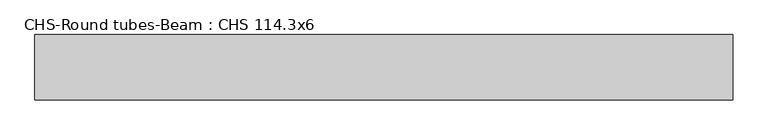
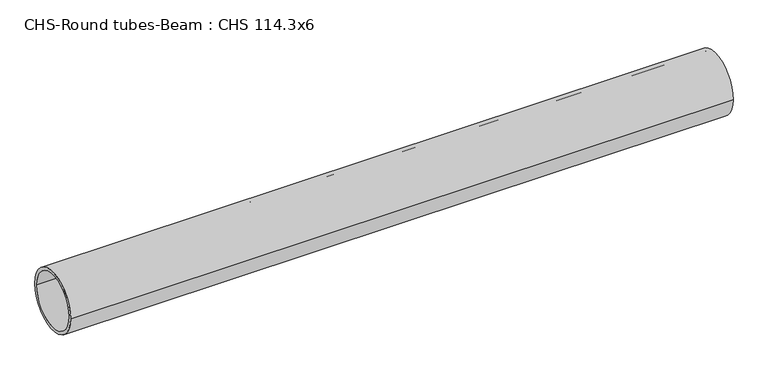
"""IFC4 building model written with IfcOpenShell, lengths in millimetres: beam geometry, CHS-Round tubes-Beam : CHS 114.3x6."""

from ifc_helpers import new_model, si_unit, point, frame, origin, origin_2d, place, context, project, spatial, circle_curve, trimmed, segment, composite_curve, outline, extrude, source, transform, mapped, element, save


def chs_round_tubes_beam_chs_114_3x6_7d48f400(model_context):
    return source(origin(), model_context, "Body", "SweptSolid", [
        extrude(outline(composite_curve([segment(trimmed(circle_curve(origin_2d(), 57.15), [point((57.15, 0.0))], [point((-57.15, 0.0))], False, "CARTESIAN"), True, "CONTINUOUS"), segment(trimmed(circle_curve(origin_2d(), 57.15), [point((-57.15, 0.0))], [point((57.15, 0.0))], False, "CARTESIAN"), True, "CONTINUOUS")], self_intersect=False), holes=[composite_curve([segment(trimmed(circle_curve(origin_2d(), 51.15), [point((51.15, 0.0))], [point((-51.15, 0.0))], True, "CARTESIAN"), True, "CONTINUOUS"), segment(trimmed(circle_curve(origin_2d(), 51.15), [point((-51.15, 0.0))], [point((51.15, 0.0))], True, "CARTESIAN"), True, "CONTINUOUS")], self_intersect=False)]), frame((-617.698178, 0.0, 0.0), z_axis=(1.0, 0.0, 0.0), x_axis=(0.0, 1.0, 0.0)), (0.0, 0.0, 1.0), 1224.0534307),
    ])


if __name__ == "__main__":
    model = new_model("IFC4")
    model_context = context("Model", 3, world=origin())
    ifc_project = project(units=[si_unit("LENGTHUNIT", "METRE", prefix="MILLI")], contexts=[model_context])
    site = spatial("IfcSite", under=ifc_project)
    building = spatial("IfcBuilding", under=site)
    placement = place(None, origin())
    chs_round_tubes_beam_chs_114_3x6_shape = chs_round_tubes_beam_chs_114_3x6_7d48f400(model_context)
    element("IfcBeam", 1, ObjectType="CHS-Round tubes-Beam : CHS 114.3x6", at=placement, inside=building, context=model_context, shape_type="MappedRepresentation", body=[
        mapped(chs_round_tubes_beam_chs_114_3x6_shape, transform((0.0, 0.0, 0.0), x_axis=(1.0, 0.0, 0.0), y_axis=(0.0, 1.0, 0.0), z_axis=(0.0, 0.0, 1.0))),
    ])
    save(model, "model.ifc")
